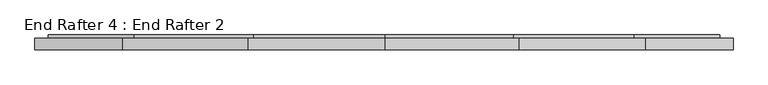
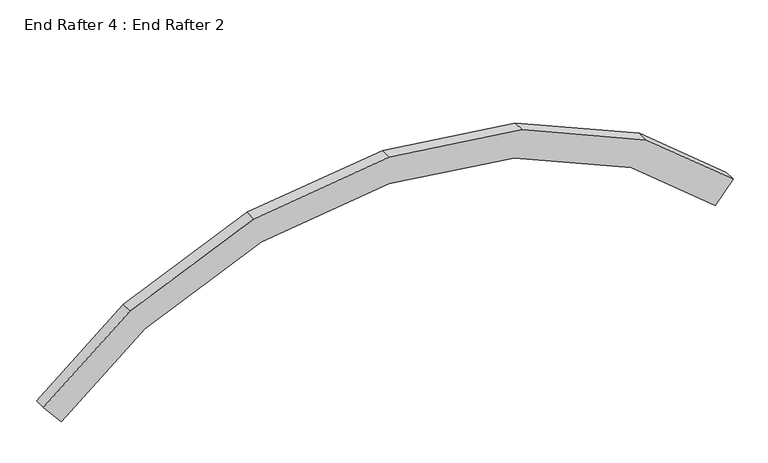
"""IFC4 building model written with IfcOpenShell, lengths in millimetres: proxy geometry, End Rafter 4 : End Rafter 2."""

from ifc_helpers import new_model, si_unit, origin, place, context, project, spatial, faceted_brep, source, transform, mapped, element, save


def end_rafter_4_end_rafter_2_f5e1c6bb(model_context):
    return source(origin(), model_context, "Body", "Brep", [
        faceted_brep([(-18123.004246, 12814.9300786, -253.5055401), (-18123.004246, 12736.7971992, -253.5055401), (-18243.2232142, 12736.7971992, -398.883109), (-18243.2232142, 12778.0721992, -398.883109), (-18234.688306, 12778.0721992, -388.5620737), (-18234.688306, 12823.3857992, -388.5620737), (-18244.9596334, 12823.3857992, -400.9829141), (-18244.9596334, 12835.6569614, -400.9829141), (-18210.8301579, 12835.6569614, -359.7110562), (-18210.8301579, 12814.9300786, -359.7110562), (-18710.9136375, 12814.9300786, 232.6620369), (-18710.9136375, 12736.7971992, 232.6620369), (-19548.7383088, 12736.7971992, 598.5037908), (-20446.0861412, 12736.7971992, 718.0571852), (-21360.5292118, 12736.7971992, 596.2261971), (-22197.7507089, 12736.7971992, 230.6478233), (-22783.2243659, 12736.7971992, -253.5055401), (-22663.0053977, 12736.7971992, -398.883109), (-22097.9632256, 12736.7971992, 68.3745803), (-21309.335894, 12736.7971992, 412.7339862), (-20446.0861412, 12736.7971992, 527.7445033), (-19599.9316266, 12736.7971992, 415.0115799), (-18810.7011208, 12736.7971992, 70.3887939), (-18810.7011208, 12778.0721992, 70.3887939), (-19599.9316266, 12778.0721992, 415.0115799), (-20446.0861412, 12778.0721992, 527.7445033), (-21309.335894, 12778.0721992, 412.7339862), (-22097.9632256, 12778.0721992, 68.3745803), (-22663.0053977, 12778.0721992, -398.883109), (-22671.540306, 12778.0721992, -388.5620737), (-22105.0476069, 12778.0721992, 79.8951187), (-21312.9703476, 12778.0721992, 425.7609587), (-20446.0861412, 12778.0721992, 541.255693), (-19596.2971729, 12778.0721992, 428.0385524), (-18803.6167395, 12778.0721992, 81.9093323), (-18803.6167395, 12823.3857992, 81.9093323), (-19596.2971729, 12823.3857992, 428.0385524), (-20446.0861412, 12823.3857992, 541.255693), (-21312.9703476, 12823.3857992, 425.7609587), (-22105.0476069, 12823.3857992, 79.8951187), (-22671.540306, 12823.3857992, -388.5620737), (-22661.2689785, 12823.3857992, -400.9829141), (-22096.5219147, 12823.3857992, 66.0307374), (-21308.5964677, 12823.3857992, 410.0836608), (-20446.0861412, 12823.3857992, 524.9956643), (-19600.6710528, 12823.3857992, 412.3612544), (-18812.1424316, 12823.3857992, 68.044951), (-18812.1424316, 12835.6569614, 68.044951), (-19600.6710528, 12835.6569614, 412.3612544), (-20446.0861412, 12835.6569614, 524.9956643), (-21308.5964677, 12835.6569614, 410.0836608), (-22096.5219147, 12835.6569614, 66.0307374), (-22661.2689785, 12835.6569614, -400.9829141), (-22695.398454, 12835.6569614, -359.7110562), (-22124.8510089, 12835.6569614, 112.0991803), (-21323.129957, 12835.6569614, 462.1760469), (-20446.0861412, 12835.6569614, 579.024343), (-19586.1375636, 12835.6569614, 464.4536406), (-18783.8133375, 12835.6569614, 114.1133939), (-18783.8133375, 12814.9300786, 114.1133939), (-19586.1375636, 12814.9300786, 464.4536406), (-20446.0861412, 12814.9300786, 579.024343), (-21323.129957, 12814.9300786, 462.1760469), (-22124.8510089, 12814.9300786, 112.0991803), (-22695.398454, 12814.9300786, -359.7110562), (-22783.2243659, 12814.9300786, -253.5055401), (-22197.7507089, 12814.9300786, 230.6478233), (-21360.5292118, 12814.9300786, 596.2261971), (-20446.0861412, 12814.9300786, 718.0571852), (-19548.7383088, 12814.9300786, 598.5037908)], [[[0, 1, 2, 3, 4, 5, 6, 7, 8, 9]], [[1, 0, 10, 11]], [[2, 1, 11, 12, 13, 14, 15, 16, 17, 18, 19, 20, 21, 22]], [[3, 2, 22, 23]], [[4, 3, 23, 24, 25, 26, 27, 28, 29, 30, 31, 32, 33, 34]], [[5, 4, 34, 35]], [[6, 5, 35, 36, 37, 38, 39, 40, 41, 42, 43, 44, 45, 46]], [[7, 6, 46, 47]], [[8, 7, 47, 48, 49, 50, 51, 52, 53, 54, 55, 56, 57, 58]], [[9, 8, 58, 59]], [[0, 9, 59, 60, 61, 62, 63, 64, 65, 66, 67, 68, 69, 10]], [[11, 10, 69, 12]], [[23, 22, 21, 24]], [[35, 34, 33, 36]], [[47, 46, 45, 48]], [[59, 58, 57, 60]], [[12, 69, 68, 13]], [[24, 21, 20, 25]], [[36, 33, 32, 37]], [[48, 45, 44, 49]], [[60, 57, 56, 61]], [[13, 68, 67, 14]], [[25, 20, 19, 26]], [[37, 32, 31, 38]], [[49, 44, 43, 50]], [[61, 56, 55, 62]], [[14, 67, 66, 15]], [[26, 19, 18, 27]], [[38, 31, 30, 39]], [[50, 43, 42, 51]], [[62, 55, 54, 63]], [[65, 64, 53, 52, 41, 40, 29, 28, 17, 16]], [[15, 66, 65, 16]], [[27, 18, 17, 28]], [[39, 30, 29, 40]], [[51, 42, 41, 52]], [[63, 54, 53, 64]]]),
    ])


if __name__ == "__main__":
    model = new_model("IFC4")
    model_context = context("Model", 3, world=origin())
    ifc_project = project(units=[si_unit("LENGTHUNIT", "METRE", prefix="MILLI")], contexts=[model_context])
    site = spatial("IfcSite", under=ifc_project)
    building = spatial("IfcBuilding", under=site)
    placement = place(None, origin())
    end_rafter_4_end_rafter_2_shape = end_rafter_4_end_rafter_2_f5e1c6bb(model_context)
    element("IfcBuildingElementProxy", 1, Name="End Rafter 4 : End Rafter 2", ObjectType="End Rafter 4 : End Rafter 2", at=placement, inside=building, context=model_context, shape_type="MappedRepresentation", body=[
        mapped(end_rafter_4_end_rafter_2_shape, transform((0.0, 0.0, 0.0), x_axis=(1.0, 0.0, 0.0), y_axis=(0.0, 1.0, 0.0), z_axis=(0.0, 0.0, 1.0))),
    ])
    save(model, "model.ifc")
